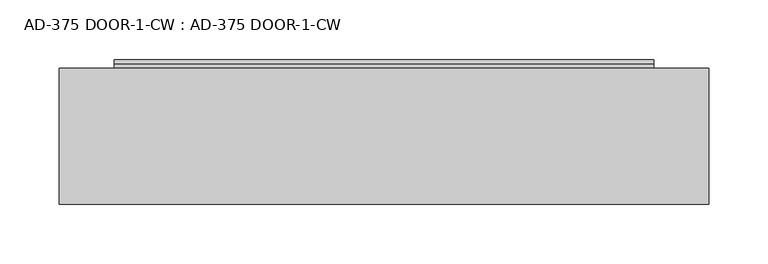
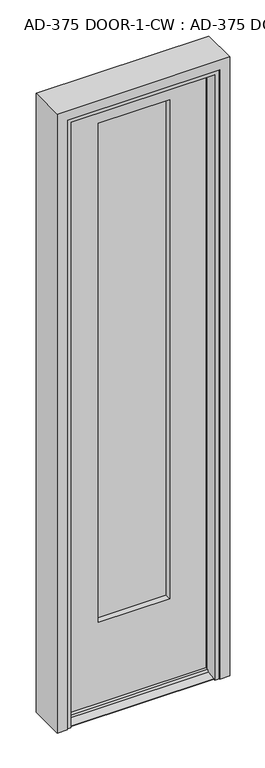
"""IFC4 building model written with IfcOpenShell, lengths in millimetres: plate geometry, AD-375 DOOR-1-CW : AD-375 DOOR-1-CW."""

from ifc_helpers import new_model, si_unit, frame, origin, place, context, project, spatial, polyline, outline, extrude, faceted_brep, source, transform, mapped, element, save


def ad_375_door_1_cw_ad_375_door_1_cw_d750e783(model_context):
    return source(origin(), model_context, "Body", "SolidModel", [
        extrude(outline(polyline([(123.8197002, -42.06875), (-123.821054, -42.06875), (-123.821054, -35.76955), (123.8197002, -35.76955), (123.8197002, -42.06875)])), frame((0.0, 0.0, 269.08125), z_axis=(0.0, 0.0, 1.0), x_axis=(1.0, 0.0, 0.0)), (0.0, 0.0, 1.0), 1694.4578325),
        extrude(outline(polyline([(-123.821054, -16.66875), (123.8197002, -16.66875), (123.8197002, -22.96795), (-123.821054, -22.96795), (-123.821054, -16.66875)])), frame((0.0, 0.0, 269.08125), z_axis=(0.0, 0.0, 1.0), x_axis=(1.0, 0.0, 0.0)), (0.0, 0.0, 1.0), 1694.4578325),
        faceted_brep([(227.00615, -62.86373, 12.8524), (227.00615, -73.4085714, 12.8524), (227.00615, -76.8629714, 6.5024), (227.00615, -106.9873714, 2.4024055), (227.00615, -106.9873714, 0.0), (227.00615, 7.3126286, 0.0), (227.00615, 7.3126286, 2.6617999), (227.00615, 3.3566077, 3.4594737), (227.00615, 3.35661, 2034.9765625), (227.00615, -62.86373, 2034.9765625), (-227.00615, 3.3566077, 3.4594737), (-227.00615, 7.3126286, 2.6617999), (-227.00615, 7.3126286, 0.0), (-227.00615, -106.9873714, 0.0), (-227.00615, -106.9873714, 2.4024055), (-227.00615, -76.8629714, 6.5024), (-227.00615, -73.4085714, 12.8524), (-227.00615, -62.86373, 12.8524), (-227.00615, -62.86373, 2034.9765625), (-227.00615, 3.35661, 2034.9765625), (123.8197002, -16.66875, 269.08125), (-123.8660737, -16.66875, 269.08125), (-123.8660737, -42.06875, 269.08125), (123.8197002, -42.06875, 269.08125), (-123.8660737, -42.06875, 1963.5390825), (123.8197002, -42.06875, 1963.5390825), (-112.7535737, -42.06875, 1952.4265826), (-112.7535737, -42.06875, 282.575), (112.7072004, -42.06875, 282.575), (112.7072004, -42.06875, 1952.4265826), (-112.7535737, -62.86373, 282.575), (112.7072004, -62.86373, 282.575), (-112.7535737, -62.86373, 1952.4265826), (112.7072004, -62.86373, 1952.4265826), (-112.7535739, 3.3566077, 282.575), (112.7072004, 3.3566077, 282.575), (112.7072004, 3.3566077, 1952.4265826), (-112.7535739, 3.3566077, 1952.4265826), (-112.7535739, -16.66875, 282.575), (112.7072004, -16.66875, 282.575), (-123.8660737, -16.66875, 1963.5390825), (123.8197002, -16.66875, 1963.5390825), (-112.7535739, -16.66875, 1952.4265826), (112.7072004, -16.66875, 1952.4265826)], [[[0, 1, 2, 3, 4, 5, 6, 7, 8, 9]], [[10, 11, 12, 13, 14, 15, 16, 17, 18, 19]], [[20, 21, 22, 23]], [[22, 24, 25, 23], [26, 27, 28, 29]], [[27, 30, 31, 28]], [[0, 9, 18, 17], [32, 33, 31, 30]], [[8, 7, 10, 19], [34, 35, 36, 37]], [[34, 38, 39, 35]], [[40, 21, 20, 41], [38, 42, 43, 39]], [[1, 0, 17, 16]], [[2, 1, 16, 15]], [[3, 2, 15, 14]], [[4, 3, 14, 13]], [[5, 4, 13, 12]], [[6, 5, 12, 11]], [[10, 7, 6, 11]], [[8, 19, 18, 9]], [[42, 37, 36, 43]], [[25, 24, 40, 41]], [[32, 26, 29, 33]], [[32, 30, 27, 26]], [[22, 21, 40, 24]], [[34, 37, 42, 38]], [[39, 43, 36, 35]], [[41, 20, 23, 25]], [[31, 33, 29, 28]]]),
        faceted_brep([(273.05, 0.0, 2070.1), (-273.05, 0.0, 2070.1), (-273.05, -114.31396, 2070.1), (273.05, -114.31396, 2070.1), (-273.05, -114.31396, 0.0), (-273.05, 0.0, 0.0), (-241.3, 0.0, 0.0), (-241.3, -70.16496, 0.0), (-227.0252, -70.16496, 0.0), (-227.0252, -110.67796, 0.0), (-241.3, -110.67796, 0.0), (-241.3, -114.31396, 0.0), (273.05, -114.31396, 0.0), (273.05, 0.0, 0.0), (241.3, -70.16496, 2038.35), (-241.3, -70.16496, 2038.35), (-241.3, 0.0, 2038.35), (241.3, 0.0, 2038.35), (-227.0252, -110.67796, 2024.0752), (-227.0252, -70.16496, 2024.0752), (227.0252, -70.16496, 2024.0752), (227.0252, -110.67796, 2024.0752), (-241.3, -114.31396, 2038.35), (-241.3, -110.67796, 2038.35), (241.3, -110.67796, 2038.35), (241.3, -114.31396, 2038.35), (241.3, 0.0, 0.0), (241.3, -114.31396, 0.0), (241.3, -110.67796, 0.0), (227.0252, -110.67796, 0.0), (227.0252, -70.16496, 0.0), (241.3, -70.16496, 0.0)], [[[0, 1, 2, 3]], [[4, 5, 6, 7, 8, 9, 10, 11]], [[2, 1, 5, 4]], [[0, 3, 12, 13]], [[14, 15, 16, 17]], [[18, 19, 20, 21]], [[22, 23, 24, 25]], [[26, 13, 12, 27, 28, 29, 30, 31]], [[26, 31, 14, 17]], [[30, 29, 21, 20]], [[24, 28, 27, 25]], [[4, 11, 22, 25, 27, 12, 3, 2]], [[11, 10, 23, 22]], [[10, 9, 18, 21, 29, 28, 24, 23]], [[9, 8, 19, 18]], [[8, 7, 15, 14, 31, 30, 20, 19]], [[7, 6, 16, 15]], [[6, 5, 1, 0, 13, 26, 17, 16]]]),
    ])


if __name__ == "__main__":
    model = new_model("IFC4")
    model_context = context("Model", 3, world=origin())
    ifc_project = project(units=[si_unit("LENGTHUNIT", "METRE", prefix="MILLI")], contexts=[model_context])
    site = spatial("IfcSite", under=ifc_project)
    building = spatial("IfcBuilding", under=site)
    placement = place(None, origin())
    ad_375_door_1_cw_ad_375_door_1_cw_shape = ad_375_door_1_cw_ad_375_door_1_cw_d750e783(model_context)
    element("IfcPlate", 1, ObjectType="AD-375 DOOR-1-CW : AD-375 DOOR-1-CW", at=placement, inside=building, context=model_context, shape_type="MappedRepresentation", body=[
        mapped(ad_375_door_1_cw_ad_375_door_1_cw_shape, transform((0.0, 0.0, 0.0), x_axis=(1.0, 0.0, 0.0), y_axis=(0.0, 1.0, 0.0), z_axis=(0.0, 0.0, 1.0))),
    ])
    save(model, "model.ifc")
